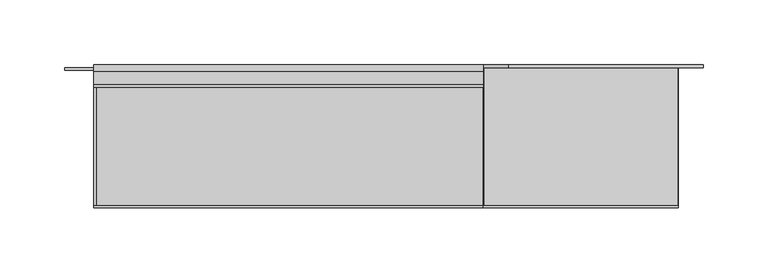
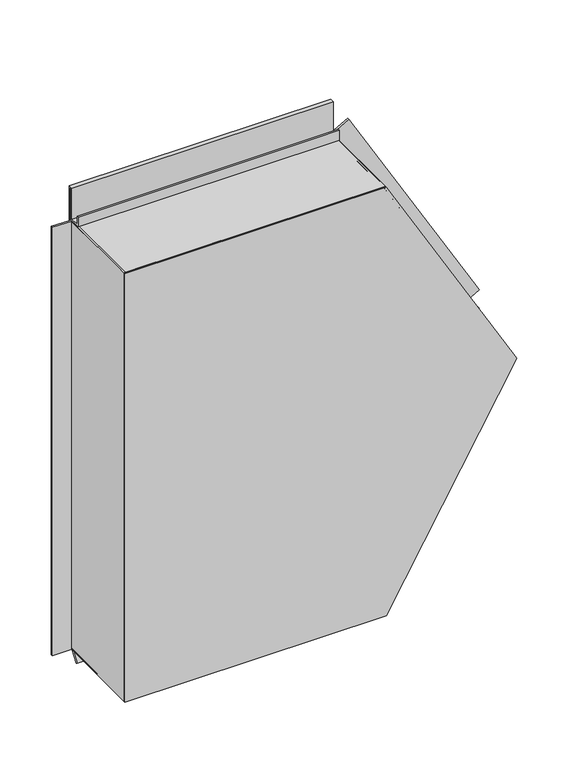
"""IFC4 building model written with IfcOpenShell, lengths in millimetres: proxy geometry."""

import ifcopenshell
import ifcopenshell.guid

model = None  # the IFC model being written
_history = None  # IfcOwnerHistory: only IFC2X3 demands one
_inside = {}  # id of a spatial element -> (the spatial element, [elements in it])
_under = {}  # id of a project, library or spatial element -> (it, [spatial elements below it])
_declared = {}  # id of a project -> (the project, [libraries it declares])
_typed = {}  # id of a type object -> (the type object, [elements of that type])
_made_of = {}  # id of a material, layer set ... -> (it, [elements and type objects made of it])


def new_model(schema):
    """Start an empty IFC model of exactly this schema.

    Asked for "IFC4X3", IfcOpenShell would pick the latest addendum, in which some entities
    have other attributes; the version numbers below select the first issue.
    IFC2X3 requires an IfcOwnerHistory on every rooted entity: one is made here for all.
    """
    global model, _history
    if schema == "IFC4X3":
        model = ifcopenshell.file(schema_version=(4, 3, 0, 0))
    else:
        model = ifcopenshell.file(schema=schema)
    _inside.clear()
    _under.clear()
    _declared.clear()
    _typed.clear()
    _made_of.clear()
    _history = None
    if model.schema == "IFC2X3":
        org = make("IfcOrganization", Name="unknown")
        user = make(
            "IfcPersonAndOrganization",
            ThePerson=make("IfcPerson", FamilyName="unknown"),
            TheOrganization=org,
        )
        app = make(
            "IfcApplication",
            ApplicationDeveloper=org,
            Version="unknown",
            ApplicationFullName="unknown",
            ApplicationIdentifier="unknown",
        )
        _history = make(
            "IfcOwnerHistory",
            OwningUser=user,
            OwningApplication=app,
            ChangeAction="ADDED",
            CreationDate=0,
        )
    return model


def make(cls, **values):
    """One entity of the class cls with the attributes given. An attribute that is None is left unset."""
    return model.create_entity(
        cls, **{name: value for name, value in values.items() if value is not None}
    )


def rooted(cls, **values):
    """An entity with a GlobalId (a new one), such as an element, a storey or a relation."""
    return make(cls, GlobalId=ifcopenshell.guid.new(), OwnerHistory=_history, **values)


def si_unit(unit_type, name, prefix=None):
    """IfcSIUnit, for example si_unit("LENGTHUNIT", "METRE", prefix="MILLI")."""
    return make("IfcSIUnit", UnitType=unit_type, Prefix=prefix, Name=name)


def assignment(units):
    """IfcUnitAssignment: the units of a project."""
    return None if units is None else make("IfcUnitAssignment", Units=units)


def point(xyz):
    """IfcCartesianPoint."""
    return None if xyz is None else make("IfcCartesianPoint", Coordinates=xyz)


def direction(xyz):
    """IfcDirection."""
    return None if xyz is None else make("IfcDirection", DirectionRatios=xyz)


def frame(location, z_axis=None, x_axis=None):
    """IfcAxis2Placement3D, a coordinate frame: its origin and axes. An axis left out is left unset."""
    return make(
        "IfcAxis2Placement3D",
        Location=point(location),
        Axis=direction(z_axis),
        RefDirection=direction(x_axis),
    )


def origin():
    """The frame at (0, 0, 0) with its axes left unset."""
    return frame((0.0, 0.0, 0.0))


def origin_with_axes():
    """The frame at (0, 0, 0) with the z axis (0, 0, 1) and the x axis (1, 0, 0) written out."""
    return frame((0.0, 0.0, 0.0), z_axis=(0.0, 0.0, 1.0), x_axis=(1.0, 0.0, 0.0))


def place(relative_to, where):
    """IfcLocalPlacement: puts the frame where relative to a parent placement (None: the world)."""
    return make(
        "IfcLocalPlacement", PlacementRelTo=relative_to, RelativePlacement=where
    )


def context(
    kind, dimensions, precision=None, world=None, true_north=None, identifier=None
):
    """IfcGeometricRepresentationContext, for example the 3D "Model" context."""
    return make(
        "IfcGeometricRepresentationContext",
        ContextIdentifier=identifier,
        ContextType=kind,
        CoordinateSpaceDimension=dimensions,
        Precision=precision,
        WorldCoordinateSystem=world,
        TrueNorth=true_north,
    )


def project(units=None, contexts=None):
    """IfcProject with its units and contexts."""
    return rooted(
        "IfcProject",
        Name="project",
        RepresentationContexts=contexts,
        UnitsInContext=assignment(units),
    )


def spatial(cls, under=None, at=None, **own):
    """A site, building, storey or space (cls), placed at a placement, below another one or the project."""
    s = rooted(cls, ObjectPlacement=at, **own)
    if under is not None:
        _under.setdefault(under.id(), (under, []))[1].append(s)
    return s


def polyline(points):
    """IfcPolyline through the points."""
    return make("IfcPolyline", Points=[point(p) for p in points])


def outline(outer, holes=None, kind="AREA"):
    """IfcArbitraryClosedProfileDef: a profile drawn as a closed curve; with holes, ...WithVoids."""
    if holes is None:
        return make("IfcArbitraryClosedProfileDef", ProfileType=kind, OuterCurve=outer)
    return make(
        "IfcArbitraryProfileDefWithVoids",
        ProfileType=kind,
        OuterCurve=outer,
        InnerCurves=holes,
    )


def extrude(swept, where, along, depth):
    """IfcExtrudedAreaSolid: the profile swept, set in the frame where, extruded along a direction by depth."""
    return make(
        "IfcExtrudedAreaSolid",
        SweptArea=swept,
        Position=where,
        ExtrudedDirection=direction(along),
        Depth=depth,
    )


def shape(context_of_items, identifier, shape_type, items):
    """IfcShapeRepresentation: the items that make up one representation, for example the "Body"."""
    return make(
        "IfcShapeRepresentation",
        ContextOfItems=context_of_items,
        RepresentationIdentifier=identifier,
        RepresentationType=shape_type,
        Items=items,
    )


def source(mapping_origin, context_of_items, identifier, shape_type, items):
    """IfcRepresentationMap: a shape defined once, which mapped items show again and again."""
    return make(
        "IfcRepresentationMap",
        MappingOrigin=mapping_origin,
        MappedRepresentation=shape(context_of_items, identifier, shape_type, items),
    )


def transform(
    local_origin,
    x_axis=None,
    y_axis=None,
    z_axis=None,
    scale=None,
    scale2=None,
    scale3=None,
    uniform=True,
):
    """IfcCartesianTransformationOperator3D, or its non-uniform kind. x_axis, y_axis, z_axis: its Axis1, 2, 3."""
    if uniform:
        return make(
            "IfcCartesianTransformationOperator3D",
            Axis1=direction(x_axis),
            Axis2=direction(y_axis),
            LocalOrigin=point(local_origin),
            Scale=scale,
            Axis3=direction(z_axis),
        )
    return make(
        "IfcCartesianTransformationOperator3DnonUniform",
        Axis1=direction(x_axis),
        Axis2=direction(y_axis),
        LocalOrigin=point(local_origin),
        Scale=scale,
        Axis3=direction(z_axis),
        Scale2=scale2,
        Scale3=scale3,
    )


def mapped(mapping_source, mapping_target):
    """IfcMappedItem: shows the shape of a source again, moved by a transform."""
    return make(
        "IfcMappedItem", MappingSource=mapping_source, MappingTarget=mapping_target
    )


def made_of(thing, what):
    """Note that an element or type object is made of a material, layer set ...; save() writes the relation."""
    if what is not None:
        _made_of.setdefault(what.id(), (what, []))[1].append(thing)
    return thing


def element(
    cls,
    number,
    at=None,
    inside=None,
    cuts=None,
    type_object=None,
    material=None,
    context=None,
    identifier="Body",
    shape_type=None,
    held_by="IfcProductDefinitionShape",
    body=None,
    shapes=None,
    **own,
):
    """One element of the class cls, such as IfcWall. Its Tag is "e" and its number.

    at: its placement. inside: the storey or other place that contains it. cuts: it is an
    opening in that element (IfcRelVoidsElement). A single representation is given by context,
    identifier, shape_type and body (its items); several are given by shapes. held_by: the class
    of the entity that holds the representations. save() writes the other relations.
    """
    e = rooted(cls, Tag="e%d" % number, ObjectPlacement=at, **own)
    if body is not None:
        shapes = [shape(context, identifier, shape_type, body)]
    if shapes is not None:
        e.Representation = make(held_by, Representations=shapes)
    if inside is not None:
        _inside.setdefault(inside.id(), (inside, []))[1].append(e)
    if cuts is not None:
        rooted(
            "IfcRelVoidsElement", RelatingBuildingElement=cuts, RelatedOpeningElement=e
        )
    if type_object is not None:
        _typed.setdefault(type_object.id(), (type_object, []))[1].append(e)
    return made_of(e, material)


def aggregate(whole, parts):
    """IfcRelAggregates: a whole, such as a stair, and the parts it consists of."""
    return rooted("IfcRelAggregates", RelatingObject=whole, RelatedObjects=parts)


def save(model, path):
    """Write the relations noted so far, then the file.

    IfcRelAggregates (storeys below a building ...), IfcRelContainedInSpatialStructure (elements
    in a storey), IfcRelDefinesByType, IfcRelAssociatesMaterial and IfcRelDeclares: one each for
    every whole, place, type object, material and project.
    """
    for whole, parts in _under.values():
        aggregate(whole, parts)
    for where, things in _inside.values():
        rooted(
            "IfcRelContainedInSpatialStructure",
            RelatedElements=things,
            RelatingStructure=where,
        )
    for kind, things in _typed.values():
        rooted("IfcRelDefinesByType", RelatedObjects=things, RelatingType=kind)
    for what, things in _made_of.values():
        rooted("IfcRelAssociatesMaterial", RelatedObjects=things, RelatingMaterial=what)
    for by, libraries in _declared.values():
        rooted("IfcRelDeclares", RelatingContext=by, RelatedDefinitions=libraries)
    model.write(path)


def generic_models_4fa2fca1(model_context):
    return source(origin(), model_context, "Body", "SweptSolid", [
        extrude(outline(polyline([(0.0, -108.0), (0.0, -4.2), (-22.0, -4.2), (-22.0, -2.2), (0.0, -2.2), (2.0, -2.2), (2.0, -108.0), (0.0, -108.0)])), origin_with_axes(), (0.0, 0.0, 1.0), 520.0),
        extrude(outline(polyline([(0.0, 0.0), (2.0, 0.0), (2.0, -108.0), (0.0, -108.0), (-22.0, -108.0), (-22.0, -106.0), (0.0, -106.0), (0.0, 0.0)])), frame((300.221605, -108.0, 0.0027799), z_axis=(0.49999732699886035, 0.0, 0.8660269470368661), x_axis=(-0.8660269470368661, 0.0, 0.49999732699886035)), (0.0, 0.0, 1.0), 300.0),
        extrude(outline(polyline([(0.0, 0.0), (2.0, 0.0), (2.0, -108.0), (0.0, -108.0), (-22.0, -108.0), (-22.0, -106.0), (0.0, -106.0), (0.0, 0.0)])), frame((450.331605, -108.0, 259.9972201), z_axis=(-0.499997326998857, 0.0, 0.866026947036868), x_axis=(-0.866026947036868, 0.0, -0.499997326998857)), (0.0, 0.0, 1.0), 300.0),
        extrude(outline(polyline([(-108.0, 518.0), (-108.0, 520.0), (-2.0, 520.0), (-2.0, 558.5), (-3.0, 558.5), (-3.0, 521.0), (-17.1, 521.0), (-17.1, 532.8), (-15.1, 532.8), (-15.1, 523.0), (-5.0, 523.0), (-5.0, 560.5), (0.0, 560.5), (0.0, 518.0), (-108.0, 518.0)])), frame((0.0, 0.0, 0.0), z_axis=(1.0, 0.0, 0.0), x_axis=(0.0, 1.0, 0.0)), (0.0, 0.0, 1.0), 300.22),
        extrude(outline(polyline([(-8.1635024, 0.0), (-108.0, 0.0), (-108.0, 2.0), (-5.6, 2.0), (-5.6, 0.1740539), (-13.4221074, -10.9961152), (-15.0603652, -9.8488963), (-8.1635024, 0.0)])), frame((0.0, 0.0, 0.0), z_axis=(1.0, 0.0, 0.0), x_axis=(0.0, 1.0, 0.0)), (0.0, 0.0, 1.0), 300.22),
        extrude(outline(polyline([(520.0, 0.0), (0.0, 0.0), (0.0, 300.22), (260.0, 450.33), (520.0, 300.22), (520.0, 0.0)])), frame((0.0, -110.0, 0.0), z_axis=(0.0, 1.0, 0.0), x_axis=(0.0, 0.0, 1.0)), (0.0, 0.0, 1.0), 2.0),
    ])


if __name__ == "__main__":
    model = new_model("IFC4")
    model_context = context("Model", 3, world=origin())
    ifc_project = project(units=[si_unit("LENGTHUNIT", "METRE", prefix="MILLI")], contexts=[model_context])
    site = spatial("IfcSite", under=ifc_project)
    building = spatial("IfcBuilding", under=site)
    placement = place(None, origin())
    generic_models_shape = generic_models_4fa2fca1(model_context)
    element("IfcBuildingElementProxy", 1, Name="Generic Models", at=placement, inside=building, context=model_context, shape_type="MappedRepresentation", body=[
        mapped(generic_models_shape, transform((0.0, 0.0, 0.0), x_axis=(1.0, 0.0, 0.0), y_axis=(0.0, 1.0, 0.0), z_axis=(0.0, 0.0, 1.0))),
    ])
    save(model, "model.ifc")
